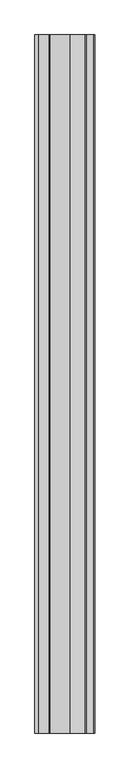
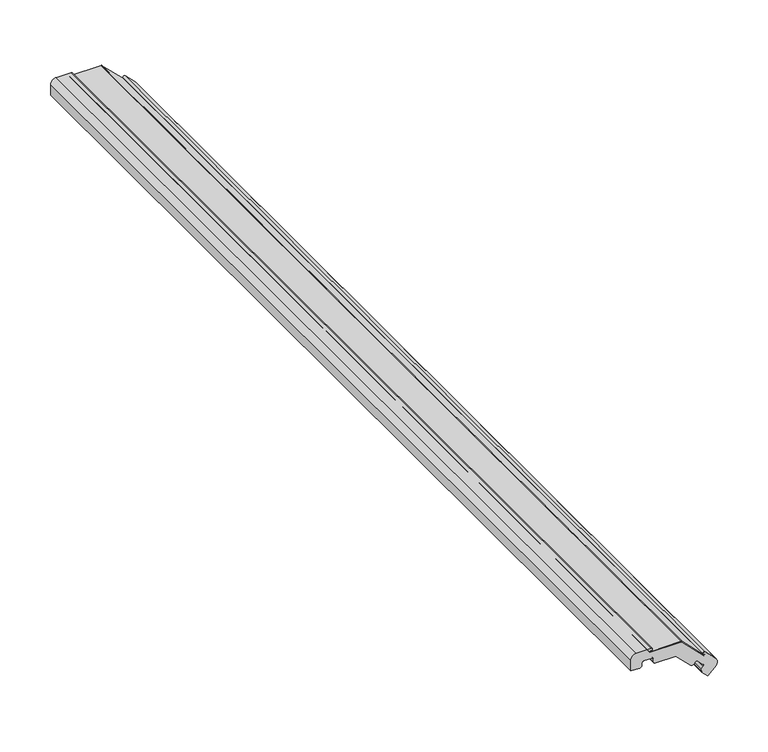
"""IFC4 building model written with IfcOpenShell, lengths in millimetres: proxy geometry."""

from ifc_helpers import new_model, si_unit, point, frame, frame_2d, origin, place, context, project, spatial, polyline, circle_curve, trimmed, segment, composite_curve, outline, extrude, source, transform, mapped, element, save
from ifc_brep_helpers import plane_surface, cylinder_surface, revolved_surface, advanced_brep


def specialty_equipment_9d198a12(model_context):
    return source(origin(), model_context, "Body", "SolidModel", [
        advanced_brep(
        [(45.7177359, -1143.0, -26.7569308), (45.2203931, -1143.0, -18.2796247), (33.3670508, -1143.0, -6.4262825), (30.8186667, -1143.0, -7.1966667), (32.512, -1143.0, -8.89), (32.3341009, -1143.0, -9.6605658), (31.6653333, -1143.0, -10.3293333), (30.8149016, -1143.0, -9.9869016), (6.6215524, -1143.0, 14.2064476), (5.4186667, -1143.0, 14.732), (-29.2946667, -1143.0, 14.732), (-29.6333333, -1143.0, 15.458273), (-29.6333333, -1143.0, 16.256), (-28.9000985, -1143.0, 16.6793333), (-26.8393333, -1143.0, 16.6793333), (-28.1093333, -1143.0, 19.05), (-44.8733333, -1143.0, 19.05), (-51.2233333, -1143.0, 12.7), (-51.2233333, -1143.0, 0.0), (-41.7406667, -1143.0, 0.0), (-38.5233333, -1143.0, 2.3706667), (-38.5233333, -1143.0, 5.588), (-36.9993333, -1143.0, 7.112), (-27.432, -1143.0, 7.112), (-25.8233333, -1143.0, 5.588), (-25.8233333, -1143.0, 2.3706667), (-24.2993333, -1143.0, 0.0), (0.0, -1143.0, 0.0), (17.1465403, -1143.0, -17.1465403), (20.0944426, -1143.0, -16.566224), (22.2673333, -1143.0, -14.3933333), (24.4686667, -1143.0, -14.3933333), (31.242, -1143.0, -21.1666667), (31.242, -1143.0, -23.368), (28.956, -1143.0, -25.5693333), (28.956, -1143.0, -27.8553333), (30.0566667, -1143.0, -28.956), (29.5486667, -1143.0, -29.5486667), (36.2373333, -1143.0, -36.2373333), (45.7177359, 0.0, -26.7569308), (36.2373333, 0.0, -36.2373333), (29.5486667, 0.0, -29.5486667), (30.0566667, 0.0, -28.956), (28.956, 0.0, -27.8553333), (28.956, 0.0, -25.5693333), (31.242, 0.0, -23.368), (31.242, 0.0, -21.1666667), (24.4686667, 0.0, -14.3933333), (22.2673333, 0.0, -14.3933333), (20.0944426, 0.0, -16.566224), (17.1465403, 0.0, -17.1465403), (0.0, 0.0, 0.0), (-24.2993333, 0.0, 0.0), (-25.8233333, 0.0, 2.3706667), (-25.8233333, 0.0, 5.588), (-27.3417084, 0.0, 7.1063751), (-36.9993333, 0.0, 7.112), (-38.5233333, 0.0, 5.588), (-38.5233333, 0.0, 2.3706667), (-41.7406667, 0.0, 0.0), (-51.2233333, 0.0, 0.0), (-51.2233333, 0.0, 12.7), (-44.8733333, 0.0, 19.05), (-28.1093333, 0.0, 19.05), (-26.8393333, 0.0, 16.6793333), (-28.9000985, 0.0, 16.6793333), (-29.6333333, 0.0, 16.256), (-29.6333333, 0.0, 15.458273), (-29.2946667, 0.0, 14.732), (5.4186667, 0.0, 14.732), (6.6215524, 0.0, 14.2064476), (30.8149016, 0.0, -9.9869016), (31.6653333, 0.0, -10.3293333), (32.3341009, 0.0, -9.6605658), (32.512, 0.0, -8.89), (30.8186667, 0.0, -7.1966667), (33.3670508, 0.0, -6.4262825), (45.2203931, 0.0, -18.2796247)],
        [
            (0, 1, circle_curve(frame((40.7020723, -1143.0, -22.7979455), z_axis=(0.0, -1.0, 0.0), x_axis=(1.0, 0.0, 0.0)), 6.3898706)),
            (1, 2),
            (2, 3, circle_curve(frame((32.2992219, -1143.0, -7.4941114), z_axis=(0.0, -1.0, 0.0), x_axis=(1.0, 0.0, 0.0)), 1.5101381)),
            (3, 4),
            (4, 5, circle_curve(frame((32.0377675, -1143.0, -9.1863333), z_axis=(0.0, 1.0, 0.0), x_axis=(1.0, 0.0, 0.0)), 0.5592047)),
            (5, 6),
            (6, 7, circle_curve(frame((31.369, -1143.0, -9.8380368), z_axis=(0.0, 1.0, 0.0), x_axis=(1.0, 0.0, 0.0)), 0.5737471)),
            (7, 8),
            (8, 9, circle_curve(frame((5.3495499, -1143.0, 12.9344451), z_axis=(0.0, -1.0, 0.0), x_axis=(1.0, 0.0, 0.0)), 1.7988832)),
            (9, 10),
            (10, 11, circle_curve(frame((-28.9933522, -1143.0, 15.3146032), z_axis=(0.0, 1.0, 0.0), x_axis=(1.0, 0.0, 0.0)), 0.6559092)),
            (11, 12),
            (12, 13, circle_curve(frame((-29.0973826, -1143.0, 16.1743727), z_axis=(0.0, 1.0, 0.0), x_axis=(1.0, 0.0, 0.0)), 0.5421312)),
            (13, 14),
            (14, 15, circle_curve(frame((-28.1093333, -1143.0, 17.5244881), z_axis=(0.0, -1.0, 0.0), x_axis=(1.0, 0.0, 0.0)), 1.5255119)),
            (15, 16),
            (16, 17, circle_curve(frame((-44.8733333, -1143.0, 12.7), z_axis=(0.0, -1.0, 0.0), x_axis=(1.0, 0.0, 0.0)), 6.35)),
            (17, 18),
            (18, 19),
            (19, 20, circle_curve(frame((-41.7406667, -1143.0, 3.3685238), z_axis=(0.0, -1.0, 0.0), x_axis=(1.0, 0.0, 0.0)), 3.3685238)),
            (20, 21),
            (21, 22, circle_curve(frame((-36.9993333, -1143.0, 5.588), z_axis=(0.0, 1.0, 0.0), x_axis=(1.0, 0.0, 0.0)), 1.524)),
            (22, 23),
            (23, 24, circle_curve(frame((-27.3417084, -1143.0, 5.588), z_axis=(0.0, 1.0, 0.0), x_axis=(1.0, 0.0, 0.0)), 1.5183751)),
            (24, 25),
            (25, 26, circle_curve(frame((-23.2174815, -1143.0, 2.3706667), z_axis=(0.0, -1.0, 0.0), x_axis=(1.0, 0.0, 0.0)), 2.6058519)),
            (26, 27),
            (27, 28),
            (28, 29, circle_curve(frame((18.1880927, -1143.0, -14.6598741), z_axis=(0.0, -1.0, 0.0), x_axis=(1.0, 0.0, 0.0)), 2.6959859)),
            (29, 30),
            (30, 31, circle_curve(frame((23.368, -1143.0, -15.494), z_axis=(0.0, 1.0, 0.0), x_axis=(1.0, 0.0, 0.0)), 1.5565777)),
            (31, 32),
            (32, 33, circle_curve(frame((30.1413333, -1143.0, -22.2673333), z_axis=(0.0, 1.0, 0.0), x_axis=(1.0, 0.0, 0.0)), 1.5565777)),
            (33, 34),
            (34, 35, circle_curve(frame((30.099, -1143.0, -26.7123333), z_axis=(0.0, -1.0, 0.0), x_axis=(1.0, 0.0, 0.0)), 1.6164461)),
            (35, 36),
            (36, 37),
            (37, 38),
            (38, 0),
            (39, 40),
            (40, 41),
            (41, 42),
            (42, 43),
            (43, 44, circle_curve(frame((30.099, 0.0, -26.7123333), z_axis=(0.0, 1.0, 0.0), x_axis=(1.0, 0.0, 0.0)), 1.6164461)),
            (44, 45),
            (45, 46, circle_curve(frame((30.1413333, 0.0, -22.2673333), z_axis=(0.0, -1.0, 0.0), x_axis=(1.0, 0.0, 0.0)), 1.5565777)),
            (46, 47),
            (47, 48, circle_curve(frame((23.368, 0.0, -15.494), z_axis=(0.0, -1.0, 0.0), x_axis=(1.0, 0.0, 0.0)), 1.5565777)),
            (48, 49),
            (49, 50, circle_curve(frame((18.1880927, 0.0, -14.6598741), z_axis=(0.0, 1.0, 0.0), x_axis=(1.0, 0.0, 0.0)), 2.6959859)),
            (50, 51),
            (51, 52),
            (52, 53, circle_curve(frame((-23.2174815, 0.0, 2.3706667), z_axis=(0.0, 1.0, 0.0), x_axis=(1.0, 0.0, 0.0)), 2.6058519)),
            (53, 54),
            (54, 55, circle_curve(frame((-27.3417084, 0.0, 5.588), z_axis=(0.0, -1.0, 0.0), x_axis=(1.0, 0.0, 0.0)), 1.5183751)),
            (55, 56),
            (56, 57, circle_curve(frame((-36.9993333, 0.0, 5.588), z_axis=(0.0, -1.0, 0.0), x_axis=(1.0, 0.0, 0.0)), 1.524)),
            (57, 58),
            (58, 59, circle_curve(frame((-41.7406667, 0.0, 3.3685238), z_axis=(0.0, 1.0, 0.0), x_axis=(1.0, 0.0, 0.0)), 3.3685238)),
            (59, 60),
            (60, 61),
            (61, 62, circle_curve(frame((-44.8733333, 0.0, 12.7), z_axis=(0.0, 1.0, 0.0), x_axis=(1.0, 0.0, 0.0)), 6.35)),
            (62, 63),
            (63, 64, circle_curve(frame((-28.1093333, 0.0, 17.5244881), z_axis=(0.0, 1.0, 0.0), x_axis=(1.0, 0.0, 0.0)), 1.5255119)),
            (64, 65),
            (65, 66, circle_curve(frame((-29.0973826, 0.0, 16.1743727), z_axis=(0.0, -1.0, 0.0), x_axis=(1.0, 0.0, 0.0)), 0.5421312)),
            (66, 67),
            (67, 68, circle_curve(frame((-28.9933522, 0.0, 15.3146032), z_axis=(0.0, -1.0, 0.0), x_axis=(1.0, 0.0, 0.0)), 0.6559092)),
            (68, 69),
            (69, 70, circle_curve(frame((5.3495499, 0.0, 12.9344451), z_axis=(0.0, 1.0, 0.0), x_axis=(1.0, 0.0, 0.0)), 1.7988832)),
            (70, 71),
            (71, 72, circle_curve(frame((31.369, 0.0, -9.8380368), z_axis=(0.0, -1.0, 0.0), x_axis=(1.0, 0.0, 0.0)), 0.5737471)),
            (72, 73),
            (73, 74, circle_curve(frame((32.0377675, 0.0, -9.1863333), z_axis=(0.0, -1.0, 0.0), x_axis=(1.0, 0.0, 0.0)), 0.5592047)),
            (74, 75),
            (75, 76, circle_curve(frame((32.2992219, 0.0, -7.4941114), z_axis=(0.0, 1.0, 0.0), x_axis=(1.0, 0.0, 0.0)), 1.5101381)),
            (76, 77),
            (77, 39, circle_curve(frame((40.7020723, 0.0, -22.7979455), z_axis=(0.0, 1.0, 0.0), x_axis=(1.0, 0.0, 0.0)), 6.3898706)),
            (0, 39),
            (77, 1),
            (76, 2),
            (75, 3),
            (74, 4),
            (73, 5),
            (72, 6),
            (71, 7),
            (70, 8),
            (69, 9),
            (68, 10),
            (67, 11),
            (66, 12),
            (65, 13),
            (64, 14),
            (63, 15),
            (62, 16),
            (61, 17),
            (60, 18),
            (59, 19),
            (58, 20),
            (57, 21),
            (56, 22),
            (55, 23),
            (54, 24),
            (53, 25),
            (52, 26),
            (51, 27),
            (50, 28),
            (49, 29),
            (48, 30),
            (47, 31),
            (46, 32),
            (45, 33),
            (44, 34),
            (43, 35),
            (42, 36),
            (41, 37),
            (40, 38),
        ],
        [
            plane_surface(frame((47.0919428, -1143.0, -22.7979455), z_axis=(0.0, -1.0, 0.0), x_axis=(0.0, 0.0, 1.0))),
            plane_surface(frame((47.0919428, 0.0, -22.7979455), z_axis=(0.0, 1.0, 0.0), x_axis=(0.0, 0.0, -1.0))),
            cylinder_surface(frame((40.7020723, 0.0, -22.7979455), z_axis=(0.0, -1.0, 0.0), x_axis=(1.0, 0.0, 0.0)), 6.3898706),
            plane_surface(frame((45.2203931, -1143.0, -18.2796247), z_axis=(0.7071067811865489, 0.0, 0.7071067811865461), x_axis=(0.0, 1.0, 0.0))),
            cylinder_surface(frame((32.2992219, 0.0, -7.4941114), z_axis=(0.0, -1.0, 0.0), x_axis=(1.0, 0.0, 0.0)), 1.5101381),
            plane_surface(frame((30.8186667, -1143.0, -7.1966667), z_axis=(-0.7071067811865454, 0.0, -0.7071067811865498), x_axis=(0.0, 1.0, 0.0))),
            revolved_surface(polyline([(32.5969722, 0.0, -9.1863333), (32.5969722, -1143.0, -9.1863333)]), (32.0377675, 0.0, -9.1863333), (0.0, 1.0, 0.0)),
            plane_surface(frame((32.3341009, -1143.0, -9.6605658), z_axis=(-0.7071067811865229, 0.0, 0.7071067811865721), x_axis=(0.0, 1.0, 0.0))),
            revolved_surface(polyline([(31.9427471, 0.0, -9.8380368), (31.9427471, -1143.0, -9.8380368)]), (31.369, 0.0, -9.8380368), (0.0, 1.0, 0.0)),
            plane_surface(frame((30.8149016, -1143.0, -9.9869016), z_axis=(0.7071067811865492, 0.0, 0.7071067811865459), x_axis=(0.0, 1.0, 0.0))),
            cylinder_surface(frame((5.3495499, 0.0, 12.9344451), z_axis=(0.0, -1.0, 0.0), x_axis=(1.0, 0.0, 0.0)), 1.7988832),
            plane_surface(frame((5.4186667, -1143.0, 14.732), z_axis=(0.0, 0.0, 1.0), x_axis=(0.0, 1.0, 0.0))),
            revolved_surface(polyline([(-28.337443, 0.0, 15.3146032), (-28.337443, -1143.0, 15.3146032)]), (-28.9933522, 0.0, 15.3146032), (0.0, 1.0, 0.0)),
            plane_surface(frame((-29.6333333, -1143.0, 15.458273), z_axis=(1.0, 0.0, 0.0), x_axis=(0.0, 1.0, 0.0))),
            revolved_surface(polyline([(-28.5552514, 0.0, 16.1743727), (-28.5552514, -1143.0, 16.1743727)]), (-29.0973826, 0.0, 16.1743727), (0.0, 1.0, 0.0)),
            plane_surface(frame((-28.9000985, -1143.0, 16.6793333), z_axis=(0.0, 0.0, -1.0), x_axis=(0.0, 1.0, 0.0))),
            cylinder_surface(frame((-28.1093333, 0.0, 17.5244881), z_axis=(0.0, -1.0, 0.0), x_axis=(1.0, 0.0, 0.0)), 1.5255119),
            plane_surface(frame((-28.1093333, -1143.0, 19.05), z_axis=(0.0, 0.0, 1.0), x_axis=(0.0, 1.0, 0.0))),
            cylinder_surface(frame((-44.8733333, 0.0, 12.7), z_axis=(0.0, -1.0, 0.0), x_axis=(1.0, 0.0, 0.0)), 6.35),
            plane_surface(frame((-51.2233333, -1143.0, 12.7), z_axis=(-1.0, 0.0, 0.0), x_axis=(0.0, 1.0, 0.0))),
            plane_surface(frame((-51.2233333, -1143.0, 0.0), z_axis=(-6.792223034013291e-12, 0.0, -1.0), x_axis=(0.0, 1.0, 0.0))),
            cylinder_surface(frame((-41.7406667, 0.0, 3.3685238), z_axis=(0.0, -1.0, 0.0), x_axis=(1.0, 0.0, 0.0)), 3.3685238),
            plane_surface(frame((-38.5233333, -1143.0, 2.3706667), z_axis=(1.0, 0.0, 0.0), x_axis=(0.0, 1.0, 0.0))),
            revolved_surface(polyline([(-35.4753333, 0.0, 5.588), (-35.4753333, -1143.0, 5.588)]), (-36.9993333, 0.0, 5.588), (0.0, 1.0, 0.0)),
            plane_surface(frame((-36.9993333, -1143.0, 7.112), z_axis=(0.0, 0.0, -1.0), x_axis=(0.0, 1.0, 0.0))),
            revolved_surface(polyline([(-25.8233333, 0.0, 5.588), (-25.8233333, -1143.0, 5.588)]), (-27.3417084, 0.0, 5.588), (0.0, 1.0, 0.0)),
            plane_surface(frame((-25.8233333, -1143.0, 5.588), z_axis=(-1.0, 0.0, 0.0), x_axis=(0.0, 1.0, 0.0))),
            cylinder_surface(frame((-23.2174815, 0.0, 2.3706667), z_axis=(0.0, -1.0, 0.0), x_axis=(1.0, 0.0, 0.0)), 2.6058519),
            plane_surface(frame((-24.2993333, -1143.0, 0.0), z_axis=(0.0, 0.0, -1.0), x_axis=(0.0, 1.0, 0.0))),
            plane_surface(frame((0.0, -1143.0, 0.0), z_axis=(-0.7071067811865491, 0.0, -0.7071067811865459), x_axis=(0.0, 1.0, 0.0))),
            cylinder_surface(frame((18.1880927, 0.0, -14.6598741), z_axis=(0.0, -1.0, 0.0), x_axis=(1.0, 0.0, 0.0)), 2.6959859),
            plane_surface(frame((20.0944426, -1143.0, -16.566224), z_axis=(0.7071067811865465, 0.0, -0.7071067811865486), x_axis=(0.0, 1.0, 0.0))),
            revolved_surface(polyline([(24.9245777, 0.0, -15.494), (24.9245777, -1143.0, -15.494)]), (23.368, 0.0, -15.494), (0.0, 1.0, 0.0)),
            plane_surface(frame((24.4686667, -1143.0, -14.3933333), z_axis=(-0.7071067811865493, 0.0, -0.7071067811865458), x_axis=(0.0, 1.0, 0.0))),
            revolved_surface(polyline([(31.697910999999998, 0.0, -22.2673333), (31.697910999999998, -1143.0, -22.2673333)]), (30.1413333, 0.0, -22.2673333), (0.0, 1.0, 0.0)),
            plane_surface(frame((31.242, -1143.0, -23.368), z_axis=(-0.6936416870659062, 0.0, 0.7203202134914469), x_axis=(0.0, 1.0, 0.0))),
            cylinder_surface(frame((30.099, 0.0, -26.7123333), z_axis=(0.0, -1.0, 0.0), x_axis=(1.0, 0.0, 0.0)), 1.6164461),
            plane_surface(frame((28.956, -1143.0, -27.8553333), z_axis=(-0.7071067811865489, 0.0, -0.7071067811865462), x_axis=(0.0, 1.0, 0.0))),
            plane_surface(frame((30.0566667, -1143.0, -28.956), z_axis=(-0.7592566023653345, 0.0, 0.6507913734559244), x_axis=(0.0, 1.0, 0.0))),
            plane_surface(frame((29.5486667, -1143.0, -29.5486667), z_axis=(-0.7071067811865493, 0.0, -0.7071067811865458), x_axis=(0.0, 1.0, 0.0))),
            plane_surface(frame((36.2373333, -1143.0, -36.2373333), z_axis=(0.7071067811865454, 0.0, -0.7071067811865497), x_axis=(0.0, 1.0, 0.0))),
        ],
        [
            (0, [[1, 2, 3, 4, 5, 6, 7, 8, 9, 10, 11, 12, 13, 14, 15, 16, 17, 18, 19, 20, 21, 22, 23, 24, 25, 26, 27, 28, 29, 30, 31, 32, 33, 34, 35, 36, 37, 38, 39]]),
            (1, [[40, 41, 42, 43, 44, 45, 46, 47, 48, 49, 50, 51, 52, 53, 54, 55, 56, 57, 58, 59, 60, 61, 62, 63, 64, 65, 66, 67, 68, 69, 70, 71, 72, 73, 74, 75, 76, 77, 78]]),
            (2, [[-1, 79, -78, 80]]),
            (3, [[-2, -80, -77, 81]]),
            (4, [[-3, -81, -76, 82]]),
            (5, [[-4, -82, -75, 83]]),
            (6, [[-5, -83, -74, 84]]),
            (7, [[-6, -84, -73, 85]]),
            (8, [[-7, -85, -72, 86]]),
            (9, [[-8, -86, -71, 87]]),
            (10, [[-9, -87, -70, 88]]),
            (11, [[-10, -88, -69, 89]]),
            (12, [[-11, -89, -68, 90]]),
            (13, [[-12, -90, -67, 91]]),
            (14, [[-13, -91, -66, 92]]),
            (15, [[-14, -92, -65, 93]]),
            (16, [[-15, -93, -64, 94]]),
            (17, [[-16, -94, -63, 95]]),
            (18, [[-17, -95, -62, 96]]),
            (19, [[-18, -96, -61, 97]]),
            (20, [[-19, -97, -60, 98]]),
            (21, [[-20, -98, -59, 99]]),
            (22, [[-21, -99, -58, 100]]),
            (23, [[-22, -100, -57, 101]]),
            (24, [[-23, -101, -56, 102]]),
            (25, [[-24, -102, -55, 103]]),
            (26, [[-25, -103, -54, 104]]),
            (27, [[-26, -104, -53, 105]]),
            (28, [[-27, -105, -52, 106]]),
            (29, [[-28, -106, -51, 107]]),
            (30, [[-29, -107, -50, 108]]),
            (31, [[-30, -108, -49, 109]]),
            (32, [[-31, -109, -48, 110]]),
            (33, [[-32, -110, -47, 111]]),
            (34, [[-33, -111, -46, 112]]),
            (35, [[-34, -112, -45, 113]]),
            (36, [[-35, -113, -44, 114]]),
            (37, [[-36, -114, -43, 115]]),
            (38, [[-37, -115, -42, 116]]),
            (39, [[-38, -116, -41, 117]]),
            (40, [[-39, -117, -40, -79]]),
        ],
    ),
        extrude(outline(composite_curve([segment(polyline([(15.748, 5.842), (15.748, -29.2946667), (14.732, -29.2946667), (14.732, 5.4186667)]), True, "CONTINUOUS"), segment(trimmed(circle_curve(frame_2d((12.9344451, 5.3495499)), 1.7988832), [point((14.732, 5.4186667))], [point((14.2064476, 6.6215524))], True, "CARTESIAN"), True, "CONTINUOUS"), segment(polyline([(14.2064476, 6.6215524), (-10.287, 31.115), (-9.5673333, 31.8346667), (15.24, 7.0273333)]), True, "CONTINUOUS"), segment(trimmed(circle_curve(frame_2d((14.0123333, 5.7996667)), 1.7361829), [point((15.24, 7.0273333))], [point((15.748, 5.842))], False, "CARTESIAN"), True, "CONTINUOUS")], self_intersect=False)), frame((0.0, -1143.0, 0.0), z_axis=(0.0, 1.0, 0.0), x_axis=(0.0, 0.0, 1.0)), (0.0, 0.0, 1.0), 1143.0),
    ])


if __name__ == "__main__":
    model = new_model("IFC4")
    model_context = context("Model", 3, world=origin())
    ifc_project = project(units=[si_unit("LENGTHUNIT", "METRE", prefix="MILLI")], contexts=[model_context])
    site = spatial("IfcSite", under=ifc_project)
    building = spatial("IfcBuilding", under=site)
    placement = place(None, origin())
    specialty_equipment_shape = specialty_equipment_9d198a12(model_context)
    element("IfcBuildingElementProxy", 1, Name="Specialty Equipment", at=placement, inside=building, context=model_context, shape_type="MappedRepresentation", body=[
        mapped(specialty_equipment_shape, transform((0.0, 0.0, 0.0), x_axis=(1.0, 0.0, 0.0), y_axis=(0.0, 1.0, 0.0), z_axis=(0.0, 0.0, 1.0))),
    ])
    save(model, "model.ifc")
